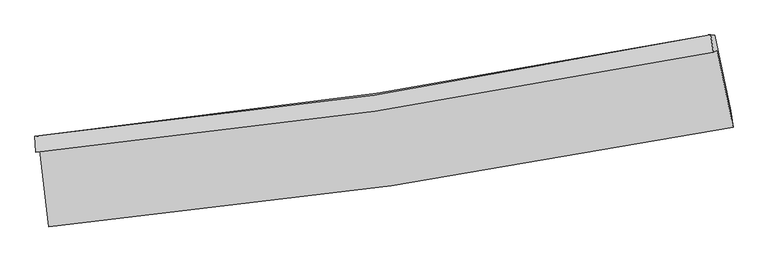
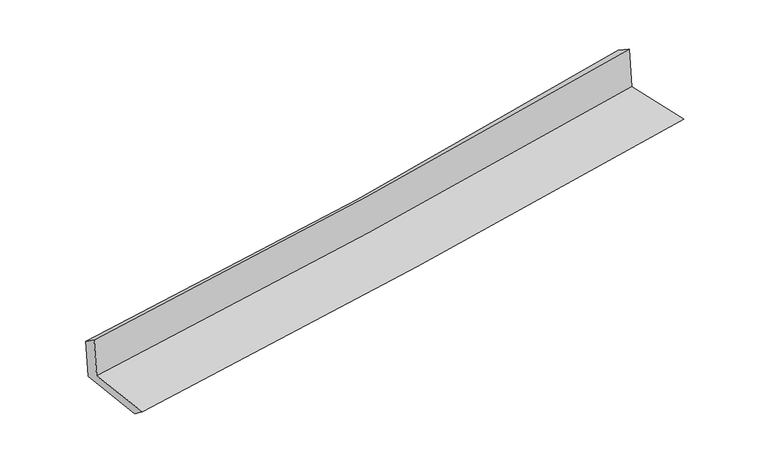
"""IFC4 building model written with IfcOpenShell, lengths in millimetres: proxy geometry."""

from ifc_helpers import new_model, si_unit, frame, origin, place, context, project, spatial, source, transform, mapped, element, save
from ifc_brep_helpers import plane_surface, spline_curve, spline_surface, advanced_brep


def generic_models_2b4fc606(model_context):
    return source(origin(), model_context, "Body", "AdvancedBrep", [
        advanced_brep(
        [(-2949.8172396, -1901.79581, 1622.5641306), (-2871.8596135, -2558.7705662, 1614.1355205), (3034.3438603, -1702.6547478, 2123.7350077), (2898.781462, -1039.0320544, 2113.8849402), (-2983.0419812, -1915.9031995, 2024.5433074), (2864.3260356, -1053.6619988, 2530.7539139), (-2990.7392637, -1780.9803712, 1930.4799156), (2842.2420638, -904.6216904, 2435.5012282), (-2957.8012418, -1774.3702792, 1541.9604922), (2877.626565, -906.4385112, 2045.9225901), (-2877.9788918, -2434.4576255, 1516.2597552), (3014.4375261, -1558.7219501, 2015.9364563)],
        [
            (0, 1),
            (1, 2, spline_curve(3, [(-2871.8596135, -2558.7705662, 1614.1355205), (-1884.401758253, -2464.797662111, 1719.369990646), (-899.513317416, -2346.668086937, 1814.38644044), (1069.242761975, -2061.499108371, 1984.338786859), (2053.088812218, -1894.256744503, 2059.188832784), (3034.3438603, -1702.6547478, 2123.7350077)], [4, 2, 4], [0.0, 9.761815403892328, 19.564553774920476])),
            (2, 3),
            (3, 0, spline_curve(3, [(2898.781462, -1039.0320544, 2113.8849402), (1927.333036461, -1229.249446984, 2048.216366118), (953.200541575, -1396.357272085, 1974.335896948), (-996.354722355, -1683.752644699, 1810.493873054), (-1971.7551281, -1804.232738306, 1720.600739499), (-2949.8172396, -1901.79581, 1622.5641306)], [4, 2, 4], [0.0, 9.802738371028148, 19.564553774920476])),
            (4, 0),
            (3, 5),
            (5, 4, spline_curve(3, [(2864.3260356, -1053.6619988, 2530.7539139), (1894.031207545, -1250.438101724, 2463.993773502), (920.577291921, -1420.774693616, 2388.322649517), (-1028.571701692, -1707.968136742, 2219.511535479), (-2004.240458131, -1825.04527815, 2126.44579051), (-2983.0419812, -1915.9031995, 2024.5433074)], [4, 2, 4], [0.0, 9.755807564562152, 19.470888081514026])),
            (6, 4),
            (5, 7),
            (7, 6, spline_curve(3, [(2842.2420638, -904.6216904, 2435.5012282), (1875.948906603, -1104.378509217, 2354.626773715), (905.695552488, -1277.383725636, 2272.012776851), (-1038.664552326, -1569.280394834, 2103.657845951), (-2012.738307358, -1688.39473914, 2017.931404805), (-2990.7392637, -1780.9803712, 1930.4799156)], [4, 2, 4], [0.0, 9.746054232604273, 19.451422134311095])),
            (8, 6),
            (7, 9),
            (9, 8, spline_curve(3, [(2877.626565, -906.4385112, 2045.9225901), (1909.916596395, -1097.133422252, 1961.235289037), (938.751591353, -1264.911978182, 1876.807494525), (-1006.419798037, -1554.031631742, 1708.822290723), (-1980.397395173, -1675.563665009, 1625.262719225), (-2957.8012418, -1774.3702792, 1541.9604922)], [4, 2, 4], [0.0, 9.736229155807038, 19.431812996938795])),
            (10, 8),
            (9, 11),
            (11, 10, spline_curve(3, [(3014.4375261, -1558.7219501, 2015.9364563), (2034.599747075, -1739.063679985, 1940.041537828), (1052.614581801, -1902.329522267, 1860.359350665), (-911.542115919, -2194.099139755, 1693.768895402), (-1893.695756676, -2322.745189574, 1606.892181965), (-2877.9788918, -2434.4576255, 1516.2597552)], [4, 2, 4], [0.0, 9.78262124829258, 19.524403511324753])),
            (1, 10),
            (11, 2),
        ],
        [
            spline_surface(3, 3, [[(-2949.8172396, -1901.79581, 1622.5641306), (-1971.755128069, -1804.232738343, 1720.600739471), (-996.354722299, -1683.752644753, 1810.493873192), (953.200541519, -1396.357272031, 1974.335896811), (1927.333036318, -1229.249447074, 2048.216366268), (2898.781462, -1039.0320544, 2113.8849402)], [(-2923.831364249, -2120.787395396, 1619.7545939), (-1942.63733813, -2024.421046284, 1720.190489897), (-964.074253966, -1904.724458761, 1811.791395653), (991.881281633, -1618.071217524, 1977.670193467), (1969.251628292, -1450.918546194, 2051.873855064), (2943.968928114, -1260.239618879, 2117.16829603)], [(-2897.845488851, -2339.778980804, 1616.9450572), (-1913.519548143, -2244.609354238, 1719.78024032), (-931.793785634, -2125.69627278, 1813.088918085), (1030.562021746, -1839.785163028, 1981.004490095), (2011.170220224, -1672.587645278, 2055.531343872), (2989.156394186, -1481.447183321, 2120.45165187)], [(-2871.8596135, -2558.7705662, 1614.1355205), (-1884.401758204, -2464.797662179, 1719.369990745), (-899.513317301, -2346.668086788, 1814.386440547), (1069.24276186, -2061.499108521, 1984.338786752), (2053.088812198, -1894.256744399, 2059.188832669), (3034.3438603, -1702.6547478, 2123.7350077)]], [4, 4], [4, 2, 4], [0.0, 2.20653753937571], [0.0, 9.761815403892328, 19.564553774920476]),
            spline_surface(3, 3, [[(-2983.0419812, -1915.9031995, 2024.5433074), (-2004.240458013, -1825.045278247, 2126.445790596), (-1028.57170156, -1707.968136748, 2219.511535511), (920.577291789, -1420.77469361, 2388.322649484), (1894.031207627, -1250.438101567, 2463.993773348), (2864.3260356, -1053.6619988, 2530.7539139)], [(-2971.967067332, -1911.200736317, 1890.550248471), (-1993.412014697, -1818.107764929, 1991.164106892), (-1017.832708464, -1699.896306095, 2083.172314706), (931.451708374, -1412.635553095, 2250.327065228), (1905.131817186, -1243.375216738, 2325.401304309), (2875.811177729, -1048.785350669, 2391.797589322)], [(-2960.892153468, -1906.498273183, 1756.557189529), (-1982.583571384, -1811.170251661, 1855.882423175), (-1007.093715395, -1691.824475406, 1946.833093997), (942.326124933, -1404.496412545, 2112.331481067), (1916.232426759, -1236.312331903, 2186.808835306), (2887.296319871, -1043.908702531, 2252.841264778)], [(-2949.8172396, -1901.79581, 1622.5641306), (-1971.755128069, -1804.232738343, 1720.600739471), (-996.354722299, -1683.752644753, 1810.493873192), (953.200541519, -1396.357272031, 1974.335896811), (1927.333036318, -1229.249447074, 2048.216366268), (2898.781462, -1039.0320544, 2113.8849402)]], [4, 4], [4, 2, 4], [0.0, 1.3566383704734333], [0.0, 9.715080516951874, 19.470888081514026]),
            spline_surface(3, 3, [[(-2990.7392637, -1780.9803712, 1930.4799156), (-2012.738307473, -1688.39473915, 2017.93140494), (-1038.664552417, -1569.280394993, 2103.657845825), (905.695552579, -1277.383725476, 2272.012776978), (1875.948906686, -1104.378509367, 2354.626773647), (2842.2420638, -904.6216904, 2435.5012282)], [(-2988.173502839, -1825.954647323, 1961.834379525), (-2009.905690959, -1733.944918871, 2054.102866817), (-1035.300268786, -1615.509642238, 2142.275742397), (910.656132328, -1325.180714848, 2310.78273449), (1881.976340346, -1153.065040111, 2391.082440244), (2849.603387746, -954.30179321, 2467.252123463)], [(-2985.607742061, -1870.928923377, 1993.188843475), (-2007.073074527, -1779.495098525, 2090.274328719), (-1031.935985192, -1661.738889502, 2180.893638938), (915.61671204, -1372.977704238, 2349.552691971), (1888.003773967, -1201.751570823, 2427.538106751), (2856.964711654, -1003.98189599, 2499.003018637)], [(-2983.0419812, -1915.9031995, 2024.5433074), (-2004.240458013, -1825.045278247, 2126.445790596), (-1028.57170156, -1707.968136748, 2219.511535511), (920.577291789, -1420.77469361, 2388.322649484), (1894.031207627, -1250.438101567, 2463.993773348), (2864.3260356, -1053.6619988, 2530.7539139)]], [4, 4], [4, 2, 4], [0.0, 0.6007274167588486], [0.0, 9.705367901706822, 19.451422134311095]),
            spline_surface(3, 3, [[(-2957.8012418, -1774.3702792, 1541.9604922), (-1980.397395039, -1675.563665013, 1625.262719367), (-1006.419797913, -1554.031631639, 1708.822290734), (938.751591229, -1264.911978285, 1876.807494514), (1909.916596417, -1097.133422332, 1961.235289143), (2877.626565, -906.4385112, 2045.9225901)], [(-2968.780582459, -1776.5736432, 1671.466966653), (-1991.177699209, -1679.840689725, 1756.15228121), (-1017.168049437, -1559.114552748, 1840.434142441), (927.732911656, -1269.069227341, 2008.542588679), (1898.594033174, -1099.548451347, 2092.365783969), (2865.831731268, -905.83290427, 2175.782136124)], [(-2979.759923041, -1778.7770072, 1800.973441147), (-2001.958003303, -1684.117714437, 1887.041843096), (-1027.916300893, -1564.197473883, 1972.045994117), (916.714232152, -1273.226476421, 2140.277682812), (1887.271469928, -1101.963480352, 2223.496278822), (2854.036897532, -905.22729733, 2305.641682176)], [(-2990.7392637, -1780.9803712, 1930.4799156), (-2012.738307473, -1688.39473915, 2017.93140494), (-1038.664552417, -1569.280394993, 2103.657845825), (905.695552579, -1277.383725476, 2272.012776978), (1875.948906686, -1104.378509367, 2354.626773647), (2842.2420638, -904.6216904, 2435.5012282)]], [4, 4], [4, 2, 4], [0.0, 1.3012152900036744], [0.0, 9.695583841131757, 19.431812996938795]),
            spline_surface(3, 3, [[(-2877.9788918, -2434.4576255, 1516.2597552), (-1893.695756563, -2322.745189502, 1606.89218197), (-911.542115913, -2194.099139911, 1693.768895347), (1052.614581796, -1902.329522111, 1860.35935072), (2034.599747095, -1739.063679892, 1940.041537717), (3014.4375261, -1558.7219501, 2015.9364563)], [(-2904.586341797, -2214.428510058, 1524.826667553), (-1922.596302719, -2107.018014664, 1613.015694455), (-943.168009915, -1980.743303837, 1698.786693817), (1014.660251604, -1689.857007519, 1865.842065326), (1993.038696839, -1525.086927356, 1947.106121534), (2968.83387237, -1341.294137117, 2025.931834241)], [(-2931.193791803, -1994.399394642, 1533.393579847), (-1951.496848883, -1891.290839851, 1619.139206882), (-974.79390391, -1767.387467713, 1703.804492264), (976.70592142, -1477.384492878, 1871.324779908), (1951.477646673, -1311.110174869, 1954.170705327), (2923.23021873, -1123.866324183, 2035.927212159)], [(-2957.8012418, -1774.3702792, 1541.9604922), (-1980.397395039, -1675.563665013, 1625.262719367), (-1006.419797913, -1554.031631639, 1708.822290734), (938.751591229, -1264.911978285, 1876.807494514), (1909.916596417, -1097.133422332, 1961.235289143), (2877.626565, -906.4385112, 2045.9225901)]], [4, 4], [4, 2, 4], [0.0, 2.124035798460276], [0.0, 9.741782263032173, 19.524403511324753]),
            spline_surface(3, 3, [[(-2871.8596135, -2558.7705662, 1614.1355205), (-1884.401758204, -2464.797662179, 1719.369990745), (-899.513317301, -2346.668086788, 1814.386440547), (1069.24276186, -2061.499108521, 1984.338786752), (2053.088812198, -1894.256744399, 2059.188832669), (3034.3438603, -1702.6547478, 2123.7350077)], [(-2873.899372923, -2517.332919307, 1581.510265398), (-1887.499757647, -2417.44683796, 1681.877387818), (-903.522916834, -2295.811771153, 1774.18059214), (1063.700035176, -2008.442579708, 1943.012308068), (2046.925790504, -1842.525722886, 2019.473067672), (3027.708415573, -1654.677148556, 2087.80215722)], [(-2875.939132377, -2475.895272393, 1548.885010302), (-1890.59775712, -2370.096013721, 1644.384784898), (-907.532516379, -2244.955455546, 1733.974743754), (1058.15730848, -1955.386050924, 1901.685829404), (2040.76276879, -1790.794701405, 1979.757302714), (3021.072970827, -1606.699549344, 2051.86930678)], [(-2877.9788918, -2434.4576255, 1516.2597552), (-1893.695756563, -2322.745189502, 1606.89218197), (-911.542115913, -2194.099139911, 1693.768895347), (1052.614581796, -1902.329522111, 1860.35935072), (2034.599747095, -1739.063679892, 1940.041537717), (3014.4375261, -1558.7219501, 2015.9364563)]], [4, 4], [4, 2, 4], [0.0, 0.6517543827626574], [0.0, 9.798278887161567, 19.63763360174833]),
            plane_surface(frame((2921.9595855, -1194.1884921, 2210.9556894), z_axis=(0.9757365547991705, 0.20062141295265817, 0.08768822209125017), x_axis=(-0.09045430007382005, 0.0046443851810831875, 0.9958897776784563))),
            plane_surface(frame((-2938.5397053, -2061.0463086, 1708.3238536), z_axis=(-0.9894938964057685, -0.1163132357444182, -0.08586652529591444), x_axis=(-0.1178252725540884, 0.9929526286144443, 0.012739013902977079))),
        ],
        [
            (0, [[1, 2, 3, 4]]),
            (1, [[5, -4, 6, 7]]),
            (2, [[8, -7, 9, 10]]),
            (3, [[11, -10, 12, 13]]),
            (4, [[14, -13, 15, 16]]),
            (5, [[17, -16, 18, -2]]),
            (6, [[-12, -9, -6, -3, -18, -15]]),
            (7, [[-1, -5, -8, -11, -14, -17]]),
        ],
    ),
    ])


if __name__ == "__main__":
    model = new_model("IFC4")
    model_context = context("Model", 3, world=origin())
    ifc_project = project(units=[si_unit("LENGTHUNIT", "METRE", prefix="MILLI")], contexts=[model_context])
    site = spatial("IfcSite", under=ifc_project)
    building = spatial("IfcBuilding", under=site)
    placement = place(None, origin())
    generic_models_shape = generic_models_2b4fc606(model_context)
    element("IfcBuildingElementProxy", 1, Name="Generic Models", at=placement, inside=building, context=model_context, shape_type="MappedRepresentation", body=[
        mapped(generic_models_shape, transform((0.0, 0.0, 0.0), x_axis=(1.0, 0.0, 0.0), y_axis=(0.0, 1.0, 0.0), z_axis=(0.0, 0.0, 1.0))),
    ])
    save(model, "model.ifc")
